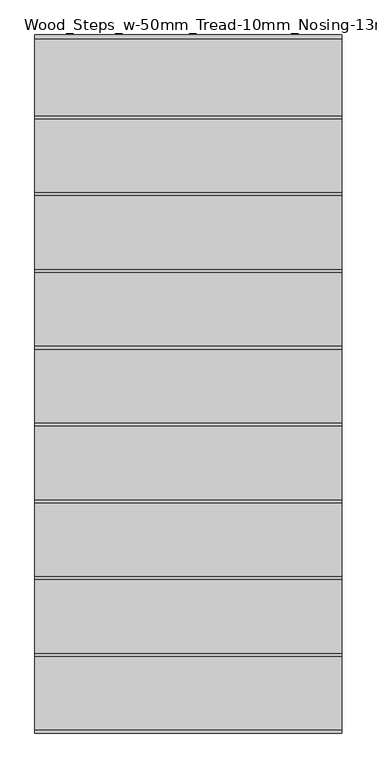
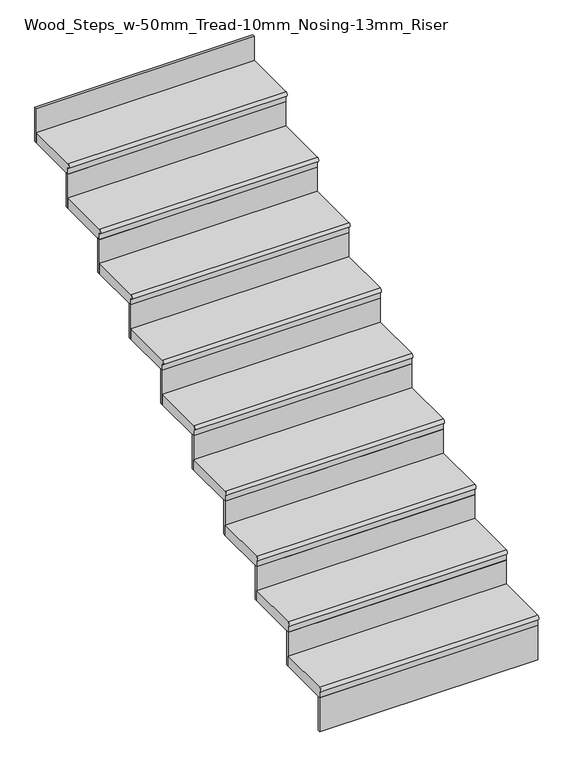
"""IFC4 building model written with IfcOpenShell, lengths in millimetres: stair flight geometry, Wood_Steps_w-50mm_Tread-10mm_Nosing-13mm_Riser."""

from ifc_helpers import new_model, si_unit, point, frame, frame_2d, origin, place, context, project, spatial, polyline, circle_curve, trimmed, segment, composite_curve, outline, extrude, source, transform, mapped, element, save


def wood_steps_w_50mm_tread_10mm_nosing_13mm_riser_359954ee(model_context):
    return source(origin(), model_context, "Body", "SweptSolid", [
        extrude(outline(composite_curve([segment(polyline([(-1964.8800806, 4861.1896036), (-1714.8800806, 4861.1896036), (-1714.8800806, 4811.1896036), (-1964.8800806, 4811.1896036), (-1964.8800806, 4841.1896036)]), True, "CONTINUOUS"), segment(trimmed(circle_curve(frame_2d((-1964.8800806, 4851.1896036)), 10.0), [point((-1964.8800806, 4841.1896036))], [point((-1964.8800806, 4861.1896036))], False, "CARTESIAN"), True, "CONTINUOUS")], self_intersect=False)), frame((-1912.4763236, 0.0, 0.0), z_axis=(1.0, 0.0, 0.0), x_axis=(0.0, 1.0, 0.0)), (0.0, 0.0, 1.0), 1000.0),
        extrude(outline(polyline([(-912.4763236, -1952.3800806), (-912.4763236, -1964.8800806), (-1912.4763236, -1964.8800806), (-1912.4763236, -1952.3800806), (-912.4763236, -1952.3800806)])), frame((0.0, 0.0, 4645.2958752), z_axis=(0.0, 0.0, 1.0), x_axis=(1.0, 0.0, 0.0)), (0.0, 0.0, 1.0), 165.8937284),
        extrude(outline(polyline([(-912.4763236, -1702.3800806), (-912.4763236, -1714.8800806), (-1912.4763236, -1714.8800806), (-1912.4763236, -1702.3800806), (-912.4763236, -1702.3800806)])), frame((0.0, 0.0, 4811.1896036), z_axis=(0.0, 0.0, 1.0), x_axis=(1.0, 0.0, 0.0)), (0.0, 0.0, 1.0), 165.8937284),
        extrude(outline(composite_curve([segment(polyline([(-1714.8800806, 5027.0833321), (-1464.8800806, 5027.0833321), (-1464.8800806, 4977.0833321), (-1714.8800806, 4977.0833321), (-1714.8800806, 5007.0833321)]), True, "CONTINUOUS"), segment(trimmed(circle_curve(frame_2d((-1714.8800806, 5017.0833321)), 10.0), [point((-1714.8800806, 5007.0833321))], [point((-1714.8800806, 5027.0833321))], False, "CARTESIAN"), True, "CONTINUOUS")], self_intersect=False)), frame((-1912.4763236, 0.0, 0.0), z_axis=(1.0, 0.0, 0.0), x_axis=(0.0, 1.0, 0.0)), (0.0, 0.0, 1.0), 1000.0),
        extrude(outline(polyline([(-912.4763236, -1452.3800806), (-912.4763236, -1464.8800806), (-1912.4763236, -1464.8800806), (-1912.4763236, -1452.3800806), (-912.4763236, -1452.3800806)])), frame((0.0, 0.0, 4977.0833321), z_axis=(0.0, 0.0, 1.0), x_axis=(1.0, 0.0, 0.0)), (0.0, 0.0, 1.0), 165.8937284),
        extrude(outline(composite_curve([segment(polyline([(-1464.8800806, 5192.9770605), (-1214.8800806, 5192.9770605), (-1214.8800806, 5142.9770605), (-1464.8800806, 5142.9770605), (-1464.8800806, 5172.9770605)]), True, "CONTINUOUS"), segment(trimmed(circle_curve(frame_2d((-1464.8800806, 5182.9770605)), 10.0), [point((-1464.8800806, 5172.9770605))], [point((-1464.8800806, 5192.9770605))], False, "CARTESIAN"), True, "CONTINUOUS")], self_intersect=False)), frame((-1912.4763236, 0.0, 0.0), z_axis=(1.0, 0.0, 0.0), x_axis=(0.0, 1.0, 0.0)), (0.0, 0.0, 1.0), 1000.0),
        extrude(outline(polyline([(-912.4763236, -1202.3800806), (-912.4763236, -1214.8800806), (-1912.4763236, -1214.8800806), (-1912.4763236, -1202.3800806), (-912.4763236, -1202.3800806)])), frame((0.0, 0.0, 5142.9770605), z_axis=(0.0, 0.0, 1.0), x_axis=(1.0, 0.0, 0.0)), (0.0, 0.0, 1.0), 165.8937284),
        extrude(outline(composite_curve([segment(polyline([(-1214.8800806, 5358.8707889), (-964.8800806, 5358.8707889), (-964.8800806, 5308.8707889), (-1214.8800806, 5308.8707889), (-1214.8800806, 5338.8707889)]), True, "CONTINUOUS"), segment(trimmed(circle_curve(frame_2d((-1214.8800806, 5348.8707889)), 10.0), [point((-1214.8800806, 5338.8707889))], [point((-1214.8800806, 5358.8707889))], False, "CARTESIAN"), True, "CONTINUOUS")], self_intersect=False)), frame((-1912.4763236, 0.0, 0.0), z_axis=(1.0, 0.0, 0.0), x_axis=(0.0, 1.0, 0.0)), (0.0, 0.0, 1.0), 1000.0),
        extrude(outline(polyline([(-912.4763236, -952.3800806), (-912.4763236, -964.8800806), (-1912.4763236, -964.8800806), (-1912.4763236, -952.3800806), (-912.4763236, -952.3800806)])), frame((0.0, 0.0, 5308.8707889), z_axis=(0.0, 0.0, 1.0), x_axis=(1.0, 0.0, 0.0)), (0.0, 0.0, 1.0), 165.8937284),
        extrude(outline(composite_curve([segment(polyline([(-964.8800806, 5524.7645174), (-714.8800806, 5524.7645174), (-714.8800806, 5474.7645174), (-964.8800806, 5474.7645174), (-964.8800806, 5504.7645174)]), True, "CONTINUOUS"), segment(trimmed(circle_curve(frame_2d((-964.8800806, 5514.7645174)), 10.0), [point((-964.8800806, 5504.7645174))], [point((-964.8800806, 5524.7645174))], False, "CARTESIAN"), True, "CONTINUOUS")], self_intersect=False)), frame((-1912.4763236, 0.0, 0.0), z_axis=(1.0, 0.0, 0.0), x_axis=(0.0, 1.0, 0.0)), (0.0, 0.0, 1.0), 1000.0),
        extrude(outline(polyline([(-912.4763236, -702.3800806), (-912.4763236, -714.8800806), (-1912.4763236, -714.8800806), (-1912.4763236, -702.3800806), (-912.4763236, -702.3800806)])), frame((0.0, 0.0, 5474.7645174), z_axis=(0.0, 0.0, 1.0), x_axis=(1.0, 0.0, 0.0)), (0.0, 0.0, 1.0), 165.8937284),
        extrude(outline(composite_curve([segment(polyline([(-714.8800806, 5690.6582458), (-464.8800806, 5690.6582458), (-464.8800806, 5640.6582458), (-714.8800806, 5640.6582458), (-714.8800806, 5670.6582458)]), True, "CONTINUOUS"), segment(trimmed(circle_curve(frame_2d((-714.8800806, 5680.6582458)), 10.0), [point((-714.8800806, 5670.6582458))], [point((-714.8800806, 5690.6582458))], False, "CARTESIAN"), True, "CONTINUOUS")], self_intersect=False)), frame((-1912.4763236, 0.0, 0.0), z_axis=(1.0, 0.0, 0.0), x_axis=(0.0, 1.0, 0.0)), (0.0, 0.0, 1.0), 1000.0),
        extrude(outline(polyline([(-912.4763236, -452.3800806), (-912.4763236, -464.8800806), (-1912.4763236, -464.8800806), (-1912.4763236, -452.3800806), (-912.4763236, -452.3800806)])), frame((0.0, 0.0, 5640.6582458), z_axis=(0.0, 0.0, 1.0), x_axis=(1.0, 0.0, 0.0)), (0.0, 0.0, 1.0), 165.8937284),
        extrude(outline(composite_curve([segment(polyline([(-464.8800806, 5856.5519742), (-214.8800806, 5856.5519742), (-214.8800806, 5806.5519742), (-464.8800806, 5806.5519742), (-464.8800806, 5836.5519742)]), True, "CONTINUOUS"), segment(trimmed(circle_curve(frame_2d((-464.8800806, 5846.5519742)), 10.0), [point((-464.8800806, 5836.5519742))], [point((-464.8800806, 5856.5519742))], False, "CARTESIAN"), True, "CONTINUOUS")], self_intersect=False)), frame((-1912.4763236, 0.0, 0.0), z_axis=(1.0, 0.0, 0.0), x_axis=(0.0, 1.0, 0.0)), (0.0, 0.0, 1.0), 1000.0),
        extrude(outline(polyline([(-912.4763236, -202.3800806), (-912.4763236, -214.8800806), (-1912.4763236, -214.8800806), (-1912.4763236, -202.3800806), (-912.4763236, -202.3800806)])), frame((0.0, 0.0, 5806.5519742), z_axis=(0.0, 0.0, 1.0), x_axis=(1.0, 0.0, 0.0)), (0.0, 0.0, 1.0), 165.8937284),
        extrude(outline(composite_curve([segment(polyline([(-214.8800806, 6022.4457026), (35.1199194, 6022.4457026), (35.1199194, 5972.4457026), (-214.8800806, 5972.4457026), (-214.8800806, 6002.4457026)]), True, "CONTINUOUS"), segment(trimmed(circle_curve(frame_2d((-214.8800806, 6012.4457026)), 10.0), [point((-214.8800806, 6002.4457026))], [point((-214.8800806, 6022.4457026))], False, "CARTESIAN"), True, "CONTINUOUS")], self_intersect=False)), frame((-1912.4763236, 0.0, 0.0), z_axis=(1.0, 0.0, 0.0), x_axis=(0.0, 1.0, 0.0)), (0.0, 0.0, 1.0), 1000.0),
        extrude(outline(polyline([(-912.4763236, 47.6199194), (-912.4763236, 35.1199194), (-1912.4763236, 35.1199194), (-1912.4763236, 47.6199194), (-912.4763236, 47.6199194)])), frame((0.0, 0.0, 5972.4457026), z_axis=(0.0, 0.0, 1.0), x_axis=(1.0, 0.0, 0.0)), (0.0, 0.0, 1.0), 165.8937284),
        extrude(outline(polyline([(-912.4763236, 297.6199194), (-912.4763236, 285.1199194), (-1912.4763236, 285.1199194), (-1912.4763236, 297.6199194), (-912.4763236, 297.6199194)])), frame((0.0, 0.0, 6138.3394311), z_axis=(0.0, 0.0, 1.0), x_axis=(1.0, 0.0, 0.0)), (0.0, 0.0, 1.0), 165.8937284),
        extrude(outline(composite_curve([segment(polyline([(35.1199194, 6188.3394311), (285.1199194, 6188.3394311), (285.1199194, 6138.3394311), (35.1199194, 6138.3394311), (35.1199194, 6168.3394311)]), True, "CONTINUOUS"), segment(trimmed(circle_curve(frame_2d((35.1199194, 6178.3394311)), 10.0), [point((35.1199194, 6168.3394311))], [point((35.1199194, 6188.3394311))], False, "CARTESIAN"), True, "CONTINUOUS")], self_intersect=False)), frame((-1912.4763236, 0.0, 0.0), z_axis=(1.0, 0.0, 0.0), x_axis=(0.0, 1.0, 0.0)), (0.0, 0.0, 1.0), 1000.0),
    ])


if __name__ == "__main__":
    model = new_model("IFC4")
    model_context = context("Model", 3, world=origin())
    ifc_project = project(units=[si_unit("LENGTHUNIT", "METRE", prefix="MILLI")], contexts=[model_context])
    site = spatial("IfcSite", under=ifc_project)
    building = spatial("IfcBuilding", under=site)
    placement = place(None, origin())
    wood_steps_w_50mm_tread_10mm_nosing_13mm_riser_shape = wood_steps_w_50mm_tread_10mm_nosing_13mm_riser_359954ee(model_context)
    element("IfcStairFlight", 1, ObjectType="Wood_Steps_w-50mm_Tread-10mm_Nosing-13mm_Riser", at=placement, inside=building, context=model_context, shape_type="MappedRepresentation", body=[
        mapped(wood_steps_w_50mm_tread_10mm_nosing_13mm_riser_shape, transform((0.0, 0.0, 0.0), x_axis=(1.0, 0.0, 0.0), y_axis=(0.0, 1.0, 0.0), z_axis=(0.0, 0.0, 1.0))),
    ])
    save(model, "model.ifc")
